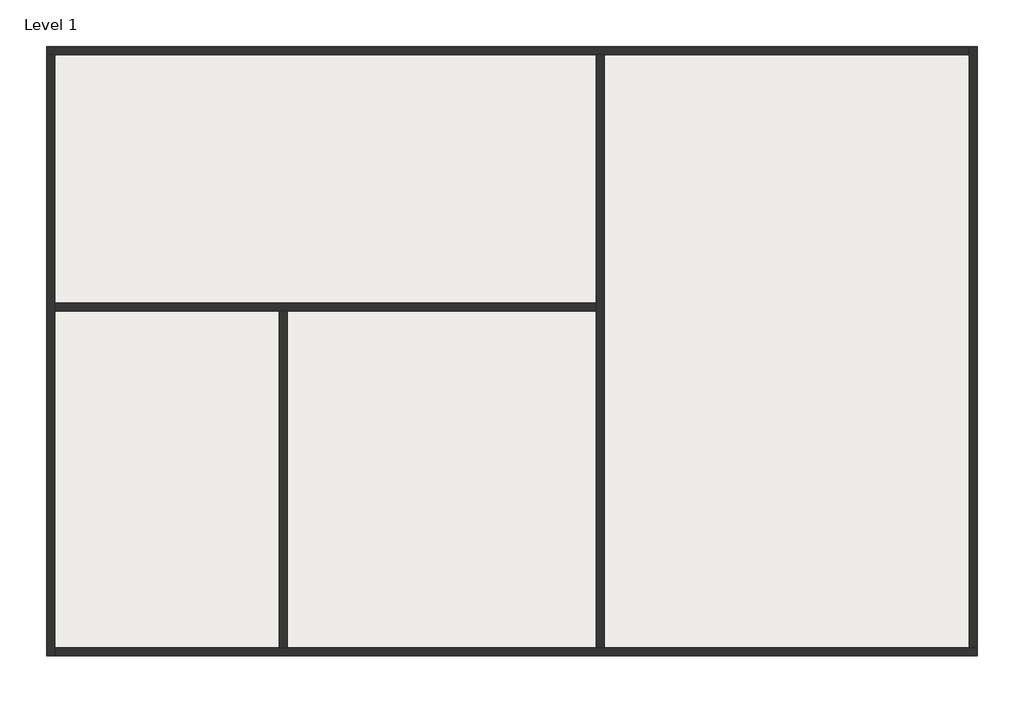
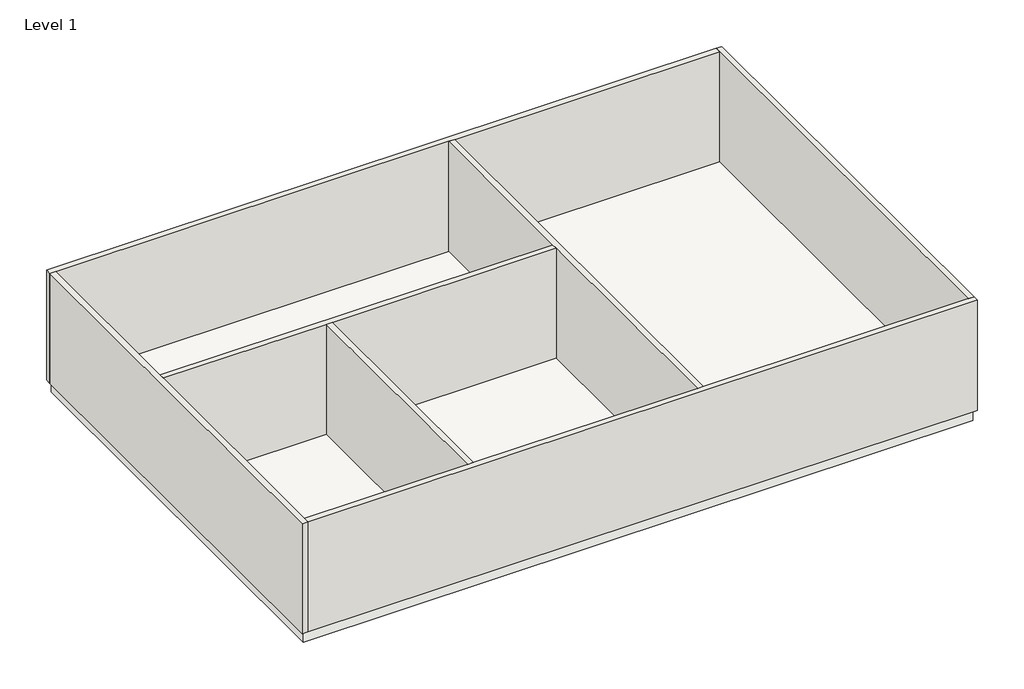
# One storey: 7 walls, 1 slab.
"""IFC4 building model written with IfcOpenShell, lengths in millimetres."""

from ifc_helpers import new_model, si_unit, frame, origin, origin_with_axes, place, context, project, spatial, polyline, outline, extrude, faceted_brep, element, save

model = new_model("IFC4")

# Units and contexts
model_context = context("Model", 3, world=origin())
ifc_project = project(units=[si_unit("LENGTHUNIT", "METRE", prefix="MILLI")], contexts=[model_context])

# Site, building, storey
site = spatial("IfcSite", under=ifc_project)
building = spatial("IfcBuilding", under=site)
storey = spatial("IfcBuildingStorey", under=building, Name="Level 1", Elevation=0.0)

# Slab
placement = place(None, origin())
element("IfcSlab", 1, ObjectType="Generic Floor - 400mm", at=placement, inside=storey, context=model_context, shape_type="SweptSolid", body=[
    extrude(outline(polyline([(7642.7370652, 7349.249093), (7642.7370652, -7650.750907), (-15357.2629348, -7650.750907), (-15357.2629348, 7349.249093), (7642.7370652, 7349.249093)])), frame((0.0, 0.0, -400.0), z_axis=(0.0, 0.0, 1.0), x_axis=(1.0, 0.0, 0.0)), (0.0, 0.0, 1.0), 400.0),
])

# Walls
element("IfcWall", 2, ObjectType="Generic - 200mm", at=placement, inside=storey, context=model_context, shape_type="Brep", body=[
    faceted_brep([(7542.7370652, 7449.249093, 0.0), (-15457.2629348, 7449.249093, 0.0), (-15457.2629348, 7449.249093, 4000.0), (7542.7370652, 7449.249093, 4000.0), (7542.7370652, 7249.249093, 0.0), (7542.7370652, 7249.249093, 4000.0), (-1557.2629348, 7249.249093, 4000.0), (-1757.2629348, 7249.249093, 4000.0), (-15257.2629348, 7249.249093, 4000.0), (-15457.2629348, 7249.249093, 4000.0), (-15457.2629348, 7249.249093, 0.0), (-15257.2629348, 7249.249093, 0.0), (-1757.2629348, 7249.249093, 0.0), (-1557.2629348, 7249.249093, 0.0)], [[[0, 1, 2, 3]], [[4, 5, 6, 7, 8, 9, 10, 11, 12, 13]], [[1, 0, 4, 13, 12, 11, 10]], [[3, 2, 9, 8, 7, 6, 5]], [[2, 1, 10, 9]], [[0, 3, 5, 4]]]),
])
element("IfcWall", 3, ObjectType="Generic - 200mm", at=placement, inside=storey, context=model_context, shape_type="Brep", body=[
    faceted_brep([(-15457.2629348, 7249.249093, 0.0), (-15457.2629348, -7750.750907, 0.0), (-15457.2629348, -7750.750907, 4000.0), (-15457.2629348, 7249.249093, 4000.0), (-15257.2629348, 7249.249093, 0.0), (-15257.2629348, 7249.249093, 4000.0), (-15257.2629348, 1049.249093, 4000.0), (-15257.2629348, 849.249093, 4000.0), (-15257.2629348, -7550.750907, 4000.0), (-15257.2629348, -7750.750907, 4000.0), (-15257.2629348, -7750.750907, 0.0), (-15257.2629348, -7550.750907, 0.0), (-15257.2629348, 849.249093, 0.0), (-15257.2629348, 1049.249093, 0.0)], [[[0, 1, 2, 3]], [[4, 5, 6, 7, 8, 9, 10, 11, 12, 13]], [[1, 0, 4, 13, 12, 11, 10]], [[3, 2, 9, 8, 7, 6, 5]], [[2, 1, 10, 9]], [[0, 3, 5, 4]]]),
])
element("IfcWall", 4, ObjectType="Generic - 200mm", at=placement, inside=storey, context=model_context, shape_type="Brep", body=[
    faceted_brep([(-15257.2629348, -7750.750907, 0.0), (7742.7370652, -7750.750907, 0.0), (7742.7370652, -7750.750907, 4000.0), (-15257.2629348, -7750.750907, 4000.0), (-15257.2629348, -7550.750907, 0.0), (-15257.2629348, -7550.750907, 4000.0), (-9657.2629348, -7550.750907, 4000.0), (-9457.2629348, -7550.750907, 4000.0), (-1757.2629348, -7550.750907, 4000.0), (-1557.2629348, -7550.750907, 4000.0), (7542.7370652, -7550.750907, 4000.0), (7742.7370652, -7550.750907, 4000.0), (7742.7370652, -7550.750907, 0.0), (7542.7370652, -7550.750907, 0.0), (-1557.2629348, -7550.750907, 0.0), (-1757.2629348, -7550.750907, 0.0), (-9457.2629348, -7550.750907, 0.0), (-9657.2629348, -7550.750907, 0.0)], [[[0, 1, 2, 3]], [[4, 5, 6, 7, 8, 9, 10, 11, 12, 13, 14, 15, 16, 17]], [[1, 0, 4, 17, 16, 15, 14, 13, 12]], [[3, 2, 11, 10, 9, 8, 7, 6, 5]], [[2, 1, 12, 11]], [[0, 3, 5, 4]]]),
])
element("IfcWall", 5, ObjectType="Generic - 200mm", at=placement, inside=storey, context=model_context, shape_type="Brep", body=[
    faceted_brep([(7742.7370652, -7550.750907, 0.0), (7742.7370652, 7449.249093, 0.0), (7742.7370652, 7449.249093, 4000.0), (7742.7370652, -7550.750907, 4000.0), (7542.7370652, -7550.750907, 0.0), (7542.7370652, -7550.750907, 4000.0), (7542.7370652, 7249.249093, 4000.0), (7542.7370652, 7449.249093, 4000.0), (7542.7370652, 7449.249093, 0.0), (7542.7370652, 7249.249093, 0.0)], [[[0, 1, 2, 3]], [[4, 5, 6, 7, 8, 9]], [[1, 0, 4, 9, 8]], [[3, 2, 7, 6, 5]], [[2, 1, 8, 7]], [[0, 3, 5, 4]]]),
])
element("IfcWall", 6, ObjectType="Generic - 200mm", at=placement, inside=storey, context=model_context, shape_type="Brep", body=[
    faceted_brep([(-15257.2629348, 849.249093, 0.0), (-9657.2629348, 849.249093, 0.0), (-9457.2629348, 849.249093, 0.0), (-1757.2629348, 849.249093, 0.0), (-1757.2629348, 849.249093, 4000.0), (-9457.2629348, 849.249093, 4000.0), (-9657.2629348, 849.249093, 4000.0), (-15257.2629348, 849.249093, 4000.0), (-15257.2629348, 1049.249093, 0.0), (-15257.2629348, 1049.249093, 4000.0), (-1757.2629348, 1049.249093, 4000.0), (-1757.2629348, 1049.249093, 0.0)], [[[0, 1, 2, 3, 4, 5, 6, 7]], [[8, 9, 10, 11]], [[3, 2, 1, 0, 8, 11]], [[0, 7, 9, 8]], [[4, 3, 11, 10]], [[7, 6, 5, 4, 10, 9]]]),
])
element("IfcWall", 7, ObjectType="Generic - 200mm", at=placement, inside=storey, context=model_context, shape_type="Brep", body=[
    faceted_brep([(-1557.2629348, -7550.750907, 0.0), (-1557.2629348, 7249.249093, 0.0), (-1557.2629348, 7249.249093, 4000.0), (-1557.2629348, -7550.750907, 4000.0), (-1757.2629348, -7550.750907, 0.0), (-1757.2629348, -7550.750907, 4000.0), (-1757.2629348, 849.249093, 4000.0), (-1757.2629348, 1049.249093, 4000.0), (-1757.2629348, 7249.249093, 4000.0), (-1757.2629348, 7249.249093, 0.0), (-1757.2629348, 1049.249093, 0.0), (-1757.2629348, 849.249093, 0.0)], [[[0, 1, 2, 3]], [[4, 5, 6, 7, 8, 9, 10, 11]], [[1, 0, 4, 11, 10, 9]], [[2, 1, 9, 8]], [[0, 3, 5, 4]], [[3, 2, 8, 7, 6, 5]]]),
])
element("IfcWall", 8, ObjectType="Generic - 200mm", at=placement, inside=storey, context=model_context, shape_type="SweptSolid", body=[
    extrude(outline(polyline([(-9657.2629348, -7550.750907), (-9657.2629348, 849.249093), (-9457.2629348, 849.249093), (-9457.2629348, -7550.750907), (-9657.2629348, -7550.750907)])), origin_with_axes(), (0.0, 0.0, 1.0), 4000.0),
])

save(model, "model.ifc")
